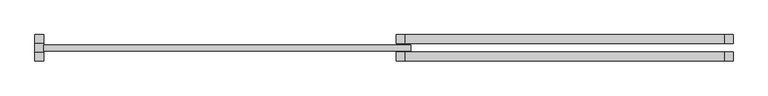
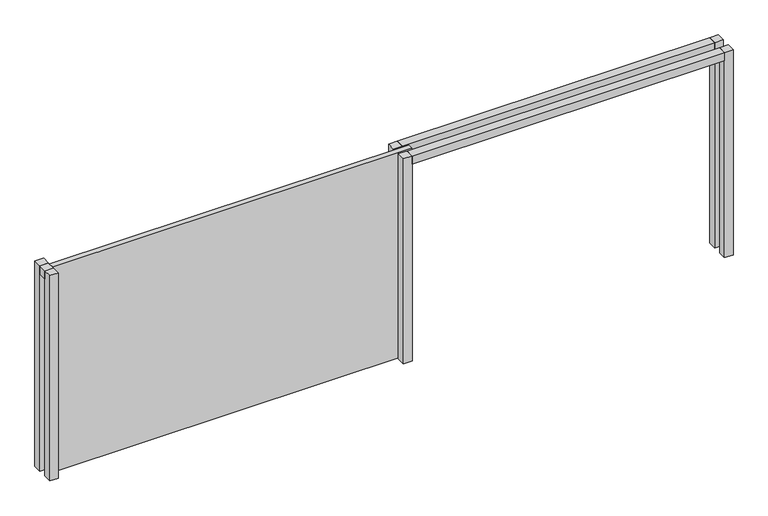
"""IFC4 building model written with IfcOpenShell, lengths in millimetres: proxy geometry."""

from ifc_helpers import new_model, si_unit, frame, origin, origin_with_axes, place, context, project, spatial, polyline, outline, extrude, source, transform, mapped, element, save


def generic_models_eb77944c(model_context):
    return source(origin(), model_context, "Body", "SweptSolid", [
        extrude(outline(polyline([(4640.0, 60.0), (4640.0, 180.0), (9000.0, 180.0), (9000.0, 60.0), (4640.0, 60.0)])), frame((0.0, 0.0, 2910.0), z_axis=(0.0, 0.0, 1.0), x_axis=(1.0, 0.0, 0.0)), (0.0, 0.0, 1.0), 120.0),
        extrude(outline(polyline([(4640.0, -180.0), (4640.0, -60.0), (9000.0, -60.0), (9000.0, -180.0), (4640.0, -180.0)])), frame((0.0, 0.0, 2910.0), z_axis=(0.0, 0.0, 1.0), x_axis=(1.0, 0.0, 0.0)), (0.0, 0.0, 1.0), 120.0),
        extrude(outline(polyline([(9120.0, 60.0), (9000.0, 60.0), (9000.0, 180.0), (9120.0, 180.0), (9120.0, 60.0)])), origin_with_axes(), (0.0, 0.0, 1.0), 3030.0),
        extrude(outline(polyline([(9120.0, -180.0), (9000.0, -180.0), (9000.0, -60.0), (9120.0, -60.0), (9120.0, -180.0)])), origin_with_axes(), (0.0, 0.0, 1.0), 3030.0),
        extrude(outline(polyline([(4640.0, 60.0), (4520.0, 60.0), (4520.0, 180.0), (4640.0, 180.0), (4640.0, 60.0)])), origin_with_axes(), (0.0, 0.0, 1.0), 3030.0),
        extrude(outline(polyline([(4640.0, -180.0), (4520.0, -180.0), (4520.0, -60.0), (4640.0, -60.0), (4640.0, -180.0)])), origin_with_axes(), (0.0, 0.0, 1.0), 3030.0),
        extrude(outline(polyline([(4720.0, -40.0), (-294.3713408, -40.0), (-294.3713408, 40.0), (4720.0, 40.0), (4720.0, -40.0)])), origin_with_axes(), (0.0, 0.0, 1.0), 3030.0),
        extrude(outline(polyline([(-294.3713408, 60.0), (-294.3713408, -60.0), (-414.3713408, -60.0), (-414.3713408, 60.0), (-294.3713408, 60.0)])), frame((0.0, 0.0, 2910.0), z_axis=(0.0, 0.0, 1.0), x_axis=(1.0, 0.0, 0.0)), (0.0, 0.0, 1.0), 120.0),
        extrude(outline(polyline([(-294.3713408, 60.0), (-414.3713408, 60.0), (-414.3713408, 180.0), (-294.3713408, 180.0), (-294.3713408, 60.0)])), origin_with_axes(), (0.0, 0.0, 1.0), 3030.0),
        extrude(outline(polyline([(-294.3713408, -180.0), (-414.3713408, -180.0), (-414.3713408, -60.0), (-294.3713408, -60.0), (-294.3713408, -180.0)])), origin_with_axes(), (0.0, 0.0, 1.0), 3030.0),
    ])


if __name__ == "__main__":
    model = new_model("IFC4")
    model_context = context("Model", 3, world=origin())
    ifc_project = project(units=[si_unit("LENGTHUNIT", "METRE", prefix="MILLI")], contexts=[model_context])
    site = spatial("IfcSite", under=ifc_project)
    building = spatial("IfcBuilding", under=site)
    placement = place(None, origin())
    generic_models_shape = generic_models_eb77944c(model_context)
    element("IfcBuildingElementProxy", 1, Name="Generic Models", at=placement, inside=building, context=model_context, shape_type="MappedRepresentation", body=[
        mapped(generic_models_shape, transform((0.0, 0.0, 0.0), x_axis=(1.0, 0.0, 0.0), y_axis=(0.0, 1.0, 0.0), z_axis=(0.0, 0.0, 1.0))),
    ])
    save(model, "model.ifc")
